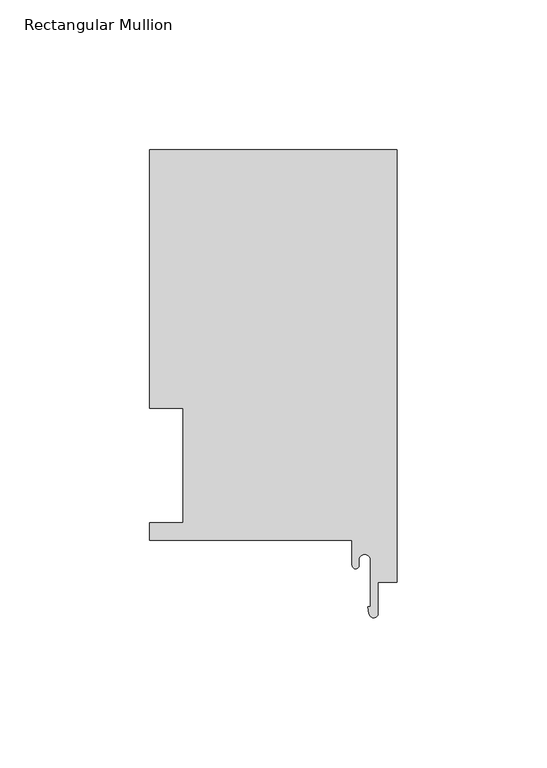
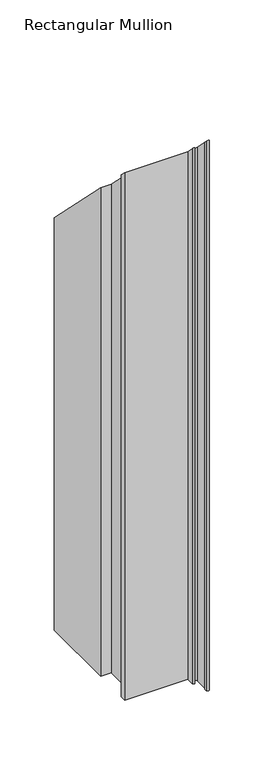
"""IFC4 building model written with IfcOpenShell, lengths in millimetres: member geometry, Rectangular Mullion."""

from ifc_helpers import new_model, si_unit, frame, origin, place, context, project, spatial, polyline, circle_curve, ellipse_curve, source, transform, mapped, element, save
from ifc_brep_helpers import plane_surface, cylinder_surface, revolved_surface, advanced_brep


def rectangular_mullion_8990c742(model_context):
    return source(origin(), model_context, "Body", "AdvancedBrep", [
        advanced_brep(
        [(-82.55, 130.6322, -595.6550284), (0.0, 130.6322, -595.6550284), (0.0, -13.5385716, -595.6550284), (-6.35, -13.5385716, -595.6550284), (-6.35, -23.8977531, -595.6550284), (-9.338383, -24.1171734, -595.6550284), (-9.6940977, -21.7079145, -595.6550284), (-8.89, -21.7079145, -595.6550284), (-8.89, -6.1214, -595.6550284), (-12.7, -6.1214, -595.6550284), (-12.7, -7.9405445, -595.6550284), (-14.986, -7.9405445, -595.6550284), (-14.986, 0.4064, -595.6550284), (-82.55, 0.4064, -595.6550284), (-82.55, 6.35, -595.6550284), (-71.4450019, 6.35, -595.6550284), (-71.4450019, 44.45, -595.6550284), (-82.55, 44.45, -595.6550284), (-82.55, 44.45, -44.45), (-82.55, 130.6322, -130.6322), (-71.4450019, 44.45, -44.45), (-71.4450019, 6.35, -6.35), (-82.55, 6.35, -6.35), (-82.55, 0.4064, -0.4064), (-14.986, 0.4064, -0.4064), (-14.986, -7.9405445, 7.9405445), (-12.7, -7.9405445, 7.9405445), (-12.7, -6.1214, 6.1214), (-8.89, -6.1214, 6.1214), (-8.89, -21.7079145, 21.7079145), (-9.6940977, -21.7079145, 21.7079145), (-9.338383, -24.1171734, 24.1171734), (-6.35, -23.8977531, 23.8977531), (-6.35, -13.5385716, 13.5385716), (0.0, -13.5385716, 13.5385716), (0.0, 130.6322, -130.6322)],
        [
            (0, 1),
            (1, 2),
            (2, 3),
            (3, 4),
            (4, 5, circle_curve(frame((-7.8522469, -23.8977531, -595.6550284), z_axis=(0.0, 0.0, -1.0), x_axis=(0.0, 1.0, 0.0)), 1.5022469)),
            (5, 6),
            (6, 7),
            (7, 8),
            (8, 9, circle_curve(frame((-10.795, -6.1214, -595.6550284), z_axis=(0.0, 0.0, 1.0), x_axis=(0.0, 1.0, 0.0)), 1.905)),
            (9, 10),
            (10, 11, circle_curve(frame((-13.843, -7.9405445, -595.6550284), z_axis=(0.0, 0.0, -1.0), x_axis=(0.0, 1.0, 0.0)), 1.143)),
            (11, 12),
            (12, 13),
            (13, 14),
            (14, 15),
            (15, 16),
            (16, 17),
            (17, 0),
            (18, 19),
            (19, 0),
            (17, 18),
            (20, 18),
            (16, 20),
            (21, 20),
            (15, 21),
            (22, 21),
            (14, 22),
            (23, 22),
            (13, 23),
            (24, 23),
            (12, 24),
            (25, 24),
            (11, 25),
            (26, 25, ellipse_curve(frame((-13.843, -7.9405445, 7.9405445), z_axis=(0.0, -0.7071067811865479, -0.7071067811865471), x_axis=(0.0, -0.7071067811865471, 0.7071067811865479)), 1.6164461, 1.143)),
            (10, 26),
            (27, 26),
            (9, 27),
            (28, 27, ellipse_curve(frame((-10.795, -6.1214, 6.1214), z_axis=(0.0, 0.7071067811865479, 0.7071067811865471), x_axis=(0.0, 0.7071067811865471, -0.7071067811865479)), 2.6940768, 1.905)),
            (8, 28),
            (29, 28),
            (7, 29),
            (30, 29),
            (6, 30),
            (31, 30),
            (5, 31),
            (32, 31, ellipse_curve(frame((-7.8522469, -23.8977531, 23.8977531), z_axis=(0.0, -0.7071067811865479, -0.7071067811865471), x_axis=(0.0, -0.7071067811865471, 0.7071067811865479)), 2.1244979, 1.5022469)),
            (4, 32),
            (33, 32),
            (3, 33),
            (34, 33),
            (2, 34),
            (35, 34),
            (1, 35),
            (19, 35),
        ],
        [
            plane_surface(frame((0.0, -154.5292017, -595.6550284), z_axis=(0.0, 0.0, -1.0), x_axis=(-1.0, 0.0, 0.0))),
            plane_surface(frame((-82.55, 130.6322, 0.0), z_axis=(-1.0, 0.0, 0.0), x_axis=(0.0, 0.0, -1.0))),
            plane_surface(frame((-82.55, 44.45, 0.0), z_axis=(0.0, -1.0, 0.0), x_axis=(0.0, 0.0, -1.0))),
            plane_surface(frame((-71.4450019, 44.45, 0.0), z_axis=(-1.0, 0.0, 0.0), x_axis=(0.0, 0.0, -1.0))),
            plane_surface(frame((-71.4450019, 6.35, 0.0), z_axis=(0.0, 1.0, 0.0), x_axis=(0.0, 0.0, -1.0))),
            plane_surface(frame((-82.55, 6.35, 0.0), z_axis=(-1.0, 0.0, 0.0), x_axis=(0.0, 0.0, -1.0))),
            plane_surface(frame((-82.55, 0.4064, 0.0), z_axis=(0.0, -1.0, 0.0), x_axis=(0.0, 0.0, -1.0))),
            plane_surface(frame((-14.986, 0.4064, 0.0), z_axis=(-1.0, 0.0, 0.0), x_axis=(0.0, 0.0, -1.0))),
            cylinder_surface(frame((-13.843, -7.9405445, 0.0), z_axis=(0.0, 0.0, 1.0), x_axis=(0.0, 1.0, 0.0)), 1.143),
            plane_surface(frame((-12.7, -7.9405445, 0.0), z_axis=(1.0, 0.0, 0.0), x_axis=(0.0, 0.0, -1.0))),
            revolved_surface(polyline([(-10.795, -4.2164, -595.6550284), (-10.795, -4.2164, 8.026399974317355)]), (-10.795, -6.1214, 0.0), (0.0, 0.0, -1.0)),
            plane_surface(frame((-8.89, -6.1214, 0.0), z_axis=(-1.0, 0.0, 0.0), x_axis=(0.0, 0.0, -1.0))),
            plane_surface(frame((-8.89, -21.7079145, 0.0), z_axis=(0.0, 1.0, 0.0), x_axis=(0.0, 0.0, -1.0))),
            plane_surface(frame((-9.6940977, -21.7079145, 0.0), z_axis=(-0.9892755186217809, -0.14606145369537674, 0.0), x_axis=(0.0, 0.0, -1.0))),
            cylinder_surface(frame((-7.8522469, -23.8977531, 0.0), z_axis=(0.0, 0.0, 1.0), x_axis=(0.0, 1.0, 0.0)), 1.5022469),
            plane_surface(frame((-6.35, -23.8977531, 0.0), z_axis=(1.0, 0.0, 0.0), x_axis=(0.0, 0.0, -1.0))),
            plane_surface(frame((-6.35, -13.5385716, 0.0), z_axis=(0.0, -1.0, 0.0), x_axis=(0.0, 0.0, -1.0))),
            plane_surface(frame((0.0, -13.5385716, 0.0), z_axis=(1.0, 0.0, 0.0), x_axis=(0.0, 0.0, -1.0))),
            plane_surface(frame((0.0, 130.6322, 0.0), z_axis=(0.0, 1.0, 0.0), x_axis=(0.0, 0.0, -1.0))),
            plane_surface(frame((-304.8, 0.0, 0.0), z_axis=(0.0, 0.7071067811865479, 0.7071067811865471), x_axis=(0.0, 0.7071067811865471, -0.7071067811865479))),
        ],
        [
            (0, [[1, 2, 3, 4, 5, 6, 7, 8, 9, 10, 11, 12, 13, 14, 15, 16, 17, 18]]),
            (1, [[19, 20, -18, 21]]),
            (2, [[22, -21, -17, 23]]),
            (3, [[24, -23, -16, 25]]),
            (4, [[26, -25, -15, 27]]),
            (5, [[28, -27, -14, 29]]),
            (6, [[30, -29, -13, 31]]),
            (7, [[32, -31, -12, 33]]),
            (8, [[34, -33, -11, 35]]),
            (9, [[36, -35, -10, 37]]),
            (10, [[38, -37, -9, 39]]),
            (11, [[40, -39, -8, 41]]),
            (12, [[42, -41, -7, 43]]),
            (13, [[44, -43, -6, 45]]),
            (14, [[46, -45, -5, 47]]),
            (15, [[48, -47, -4, 49]]),
            (16, [[50, -49, -3, 51]]),
            (17, [[52, -51, -2, 53]]),
            (18, [[54, -53, -1, -20]]),
            (19, [[-19, -22, -24, -26, -28, -30, -32, -34, -36, -38, -40, -42, -44, -46, -48, -50, -52, -54]]),
        ],
    ),
    ])


if __name__ == "__main__":
    model = new_model("IFC4")
    model_context = context("Model", 3, world=origin())
    ifc_project = project(units=[si_unit("LENGTHUNIT", "METRE", prefix="MILLI")], contexts=[model_context])
    site = spatial("IfcSite", under=ifc_project)
    building = spatial("IfcBuilding", under=site)
    placement = place(None, origin())
    rectangular_mullion_shape = rectangular_mullion_8990c742(model_context)
    element("IfcMember", 1, ObjectType="Rectangular Mullion", at=placement, inside=building, context=model_context, shape_type="MappedRepresentation", body=[
        mapped(rectangular_mullion_shape, transform((0.0, 0.0, 0.0), x_axis=(1.0, 0.0, 0.0), y_axis=(0.0, 1.0, 0.0), z_axis=(0.0, 0.0, 1.0))),
    ])
    save(model, "model.ifc")
